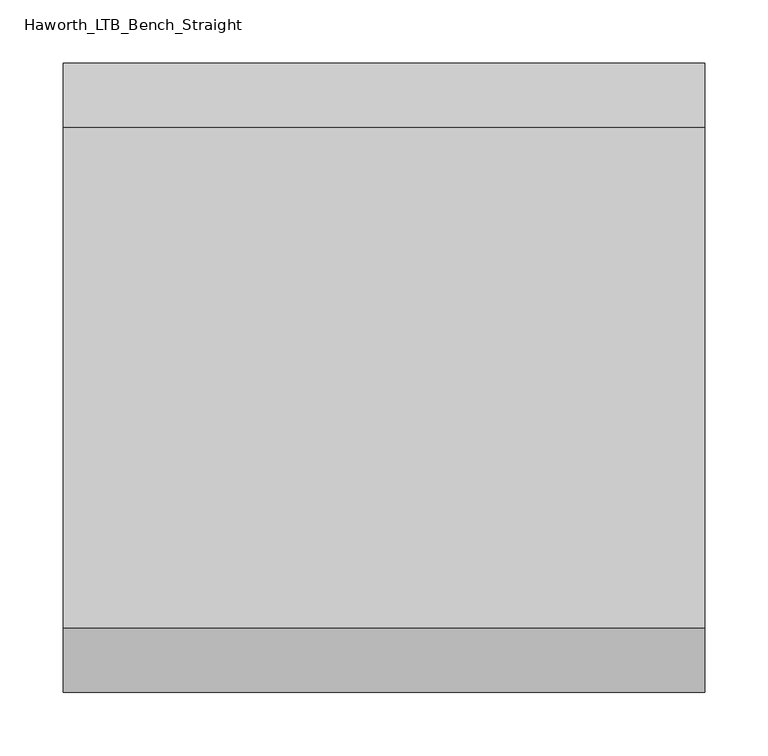
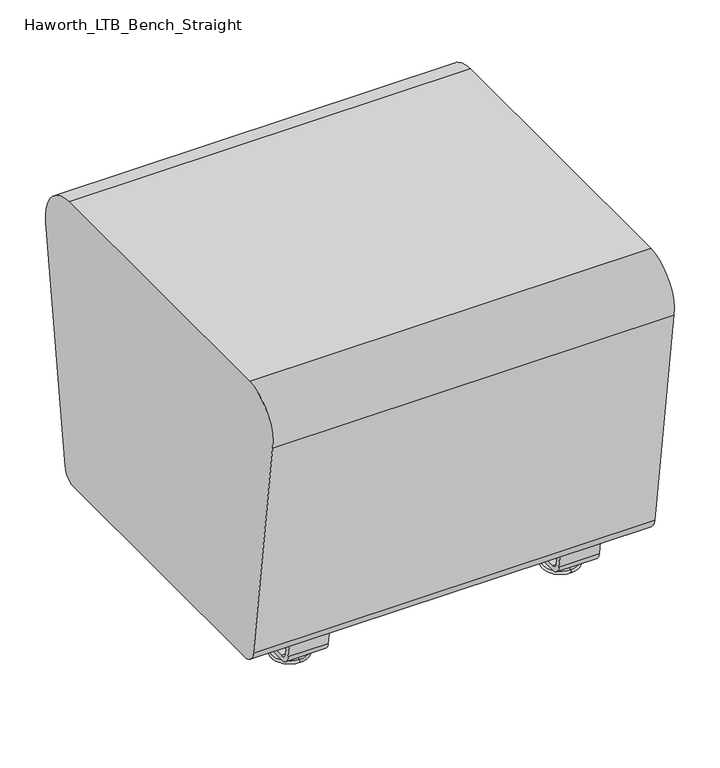
"""IFC4 building model written with IfcOpenShell, lengths in millimetres: furniture geometry, Haworth_LTB_Bench_Straight."""

from ifc_helpers import new_model, si_unit, point, frame, frame_2d, origin, place, context, project, spatial, polyline, circle_curve, ellipse_curve, trimmed, segment, composite_curve, outline, extrude, source, transform, mapped, element, save
from ifc_brep_helpers import plane_surface, cylinder_surface, revolved_surface, advanced_brep


def haworth_ltb_bench_straight_cf22b790(model_context):
    return source(origin(), model_context, "Body", "SolidModel", [
        advanced_brep(
        [(171.5045358, -134.8425052, 7.8133431), (171.5045358, -150.8355515, 7.8133431), (171.5045358, -147.6015284, 7.8133431), (171.5045358, -138.0765284, 7.8133431), (171.5045358, -120.9001513, 4.0775), (171.5045358, -164.7779054, 4.0775), (171.5045358, -121.3107026, 0.0), (171.5045358, -164.3673542, 0.0), (171.5045358, -142.8390284, 0.0), (171.5045358, -138.0765284, 50.0000004), (171.5045358, -147.6015284, 50.0000004), (171.5045358, -142.8390284, 50.0000004)],
        [
            (0, 1, circle_curve(frame((171.5045358, -142.8390284, 7.8133431), z_axis=(0.0, 0.0, 1.0), x_axis=(0.0, -1.0, 0.0)), 7.9965232)),
            (1, 2),
            (2, 3, circle_curve(frame((171.5045358, -142.8390284, 7.8133431), z_axis=(0.0, 0.0, -1.0), x_axis=(0.0, -1.0, 0.0)), 4.7625)),
            (3, 0),
            (1, 0, circle_curve(frame((171.5045358, -142.8390284, 7.8133431), z_axis=(0.0, 0.0, 1.0), x_axis=(0.0, -1.0, 0.0)), 7.9965232)),
            (3, 2, circle_curve(frame((171.5045358, -142.8390284, 7.8133431), z_axis=(0.0, 0.0, -1.0), x_axis=(0.0, -1.0, 0.0)), 4.7625)),
            (4, 5, circle_curve(frame((171.5045358, -142.8390284, 4.0775), z_axis=(0.0, 0.0, 1.0), x_axis=(0.0, -1.0, 0.0)), 21.9388771)),
            (5, 1),
            (0, 4),
            (5, 4, circle_curve(frame((171.5045358, -142.8390284, 4.0775), z_axis=(0.0, 0.0, 1.0), x_axis=(0.0, -1.0, 0.0)), 21.9388771)),
            (6, 7, circle_curve(frame((171.5045358, -142.8390284, 0.0), z_axis=(0.0, 0.0, 1.0), x_axis=(0.0, -1.0, 0.0)), 21.5283258)),
            (7, 5, circle_curve(frame((171.5045358, -164.2405822, 2.0721829), z_axis=(-1.0, 0.0, 0.0), x_axis=(0.0, 1.0, 0.0)), 2.0760571)),
            (4, 6, circle_curve(frame((171.5045358, -121.4374745, 2.0721829), z_axis=(-1.0, 0.0, 0.0), x_axis=(0.0, -1.0, 0.0)), 2.0760571)),
            (7, 6, circle_curve(frame((171.5045358, -142.8390284, 0.0), z_axis=(0.0, 0.0, 1.0), x_axis=(0.0, -1.0, 0.0)), 21.5283258)),
            (8, 7),
            (6, 8),
            (9, 10, circle_curve(frame((171.5045358, -142.8390284, 50.0000004), z_axis=(0.0, 0.0, 1.0), x_axis=(0.0, -1.0, 0.0)), 4.7625)),
            (10, 11),
            (11, 9),
            (10, 9, circle_curve(frame((171.5045358, -142.8390284, 50.0000004), z_axis=(0.0, 0.0, 1.0), x_axis=(0.0, -1.0, 0.0)), 4.7625)),
            (2, 10),
            (9, 3),
        ],
        [
            plane_surface(frame((171.5045358, -142.8390284, 7.8133431), z_axis=(0.0, 0.0, 1.0), x_axis=(0.0, -1.0, 0.0))),
            revolved_surface(polyline([(171.5045358, -150.8355515, 7.8133431), (171.5045358, -164.7779054, 4.0775)]), (171.5045358, -142.8390284, 0.0), (0.0, 0.0, -1.0)),
            revolved_surface(trimmed(ellipse_curve(frame((171.5045358, -164.2405822, 2.0721829), z_axis=(1.0, 0.0, 0.0), x_axis=(0.0, 1.0, 0.0)), 2.0760571, 2.0760571), [point((171.5045358, -164.7779054, 4.0775))], [point((171.5045358, -164.3673542, 0.0))], True, "CARTESIAN"), (171.5045358, -142.8390284, 0.0), (0.0, 0.0, -1.0)),
            plane_surface(frame((171.5045358, -142.8390284, 0.0), z_axis=(0.0, 0.0, -1.0), x_axis=(0.0, -1.0, 0.0))),
            plane_surface(frame((171.5045358, -142.8390284, 50.0000004), z_axis=(0.0, 0.0, 1.0), x_axis=(0.0, -1.0, 0.0))),
            cylinder_surface(frame((171.5045358, -142.8390284, 0.0), z_axis=(0.0, 0.0, -1.0), x_axis=(0.0, -1.0, 0.0)), 4.7625),
        ],
        [
            (0, [[1, 2, 3, 4]]),
            (0, [[5, -4, 6, -2]]),
            (1, [[7, 8, -1, 9]]),
            (1, [[10, -9, -5, -8]]),
            (2, [[11, 12, -7, 13]]),
            (2, [[14, -13, -10, -12]]),
            (3, [[15, -11, 16]]),
            (3, [[-16, -14, -15]]),
            (4, [[17, 18, 19]]),
            (4, [[20, -19, -18]]),
            (5, [[-3, 21, -17, 22]]),
            (5, [[-6, -22, -20, -21]]),
        ],
    ),
        advanced_brep(
        [(171.5045358, 138.0765284, 7.8133431), (171.5045358, 147.6015284, 7.8133431), (171.5045358, 150.8355515, 7.8133431), (171.5045358, 134.8425052, 7.8133431), (171.5045358, 164.7779054, 4.0775), (171.5045358, 120.9001513, 4.0775), (171.5045358, 164.3673542, 0.0), (171.5045358, 121.3107026, 0.0), (171.5045358, 142.8390284, 0.0), (171.5045358, 142.8390284, 50.0000004), (171.5045358, 147.6015284, 50.0000004), (171.5045358, 138.0765284, 50.0000004)],
        [
            (0, 1, circle_curve(frame((171.5045358, 142.8390284, 7.8133431), z_axis=(0.0, 0.0, -1.0), x_axis=(0.0, 1.0, 0.0)), 4.7625)),
            (1, 2),
            (2, 3, circle_curve(frame((171.5045358, 142.8390284, 7.8133431), z_axis=(0.0, 0.0, 1.0), x_axis=(0.0, 1.0, 0.0)), 7.9965232)),
            (3, 0),
            (1, 0, circle_curve(frame((171.5045358, 142.8390284, 7.8133431), z_axis=(0.0, 0.0, -1.0), x_axis=(0.0, 1.0, 0.0)), 4.7625)),
            (3, 2, circle_curve(frame((171.5045358, 142.8390284, 7.8133431), z_axis=(0.0, 0.0, 1.0), x_axis=(0.0, 1.0, 0.0)), 7.9965232)),
            (2, 4),
            (4, 5, circle_curve(frame((171.5045358, 142.8390284, 4.0775), z_axis=(0.0, 0.0, 1.0), x_axis=(0.0, 1.0, 0.0)), 21.9388771)),
            (5, 3),
            (5, 4, circle_curve(frame((171.5045358, 142.8390284, 4.0775), z_axis=(0.0, 0.0, 1.0), x_axis=(0.0, 1.0, 0.0)), 21.9388771)),
            (4, 6, circle_curve(frame((171.5045358, 164.2405822, 2.0721829), z_axis=(-1.0, 0.0, 0.0), x_axis=(0.0, -1.0, 0.0)), 2.0760571)),
            (6, 7, circle_curve(frame((171.5045358, 142.8390284, 0.0), z_axis=(0.0, 0.0, 1.0), x_axis=(0.0, 1.0, 0.0)), 21.5283258)),
            (7, 5, circle_curve(frame((171.5045358, 121.4374745, 2.0721829), z_axis=(-1.0, 0.0, 0.0), x_axis=(0.0, 1.0, 0.0)), 2.0760571)),
            (7, 6, circle_curve(frame((171.5045358, 142.8390284, 0.0), z_axis=(0.0, 0.0, 1.0), x_axis=(0.0, 1.0, 0.0)), 21.5283258)),
            (6, 8),
            (8, 7),
            (9, 10),
            (10, 11, circle_curve(frame((171.5045358, 142.8390284, 50.0000004), z_axis=(0.0, 0.0, 1.0), x_axis=(0.0, 1.0, 0.0)), 4.7625)),
            (11, 9),
            (11, 10, circle_curve(frame((171.5045358, 142.8390284, 50.0000004), z_axis=(0.0, 0.0, 1.0), x_axis=(0.0, 1.0, 0.0)), 4.7625)),
            (10, 1),
            (0, 11),
        ],
        [
            plane_surface(frame((171.5045358, 142.8390284, 7.8133431), z_axis=(0.0, 0.0, 1.0), x_axis=(0.0, 1.0, 0.0))),
            revolved_surface(polyline([(171.5045358, 164.7779054, 4.0775), (171.5045358, 150.8355515, 7.8133431)]), (171.5045358, 142.8390284, 0.0), (0.0, 0.0, 1.0)),
            revolved_surface(trimmed(ellipse_curve(frame((171.5045358, 164.2405822, 2.0721829), z_axis=(1.0, 0.0, 0.0), x_axis=(0.0, -1.0, 0.0)), 2.0760571, 2.0760571), [point((171.5045358, 164.3673542, 0.0))], [point((171.5045358, 164.7779054, 4.0775))], True, "CARTESIAN"), (171.5045358, 142.8390284, 0.0), (0.0, 0.0, 1.0)),
            plane_surface(frame((171.5045358, 142.8390284, 0.0), z_axis=(0.0, 0.0, -1.0), x_axis=(0.0, 1.0, 0.0))),
            plane_surface(frame((171.5045358, 142.8390284, 50.0000004), z_axis=(0.0, 0.0, 1.0), x_axis=(0.0, 1.0, 0.0))),
            cylinder_surface(frame((171.5045358, 142.8390284, 0.0), z_axis=(0.0, 0.0, 1.0), x_axis=(0.0, 1.0, 0.0)), 4.7625),
        ],
        [
            (0, [[1, 2, 3, 4]]),
            (0, [[5, -4, 6, -2]]),
            (1, [[-3, 7, 8, 9]]),
            (1, [[-6, -9, 10, -7]]),
            (2, [[-8, 11, 12, 13]]),
            (2, [[-10, -13, 14, -11]]),
            (3, [[-12, 15, 16]]),
            (3, [[-14, -16, -15]]),
            (4, [[17, 18, 19]]),
            (4, [[-19, 20, -17]]),
            (5, [[-18, 21, -1, 22]]),
            (5, [[-20, -22, -5, -21]]),
        ],
    ),
        extrude(outline(composite_curve([segment(polyline([(188.6158944, 62.9950557), (183.6853496, 27.9124042)]), True, "CONTINUOUS"), segment(trimmed(circle_curve(frame_2d((168.8313276, 30.0000007)), 15.000001), [point((183.6853496, 27.9124042))], [point((168.8313276, 14.9999997))], False, "CARTESIAN"), True, "CONTINUOUS"), segment(polyline([(168.8313276, 14.9999997), (-168.8313276, 14.9999997)]), True, "CONTINUOUS"), segment(trimmed(circle_curve(frame_2d((-168.8313276, 30.0000007)), 15.000001), [point((-168.8313276, 14.9999997))], [point((-183.6853496, 27.9124042))], False, "CARTESIAN"), True, "CONTINUOUS"), segment(polyline([(-183.6853496, 27.9124042), (-188.6158944, 62.9950557), (-182.9812615, 63.7869505), (-178.0507241, 28.7043023)]), True, "CONTINUOUS"), segment(trimmed(circle_curve(frame_2d((-168.8313262, 30.0000023)), 9.310002), [point((-178.0507241, 28.7043023))], [point((-168.8313262, 20.6900003))], True, "CARTESIAN"), True, "CONTINUOUS"), segment(polyline([(-168.8313262, 20.6900003), (168.8313262, 20.6900003)]), True, "CONTINUOUS"), segment(trimmed(circle_curve(frame_2d((168.8313262, 30.0000023)), 9.310002), [point((168.8313262, 20.6900003))], [point((178.0507241, 28.7043023))], True, "CARTESIAN"), True, "CONTINUOUS"), segment(polyline([(178.0507241, 28.7043023), (182.9812615, 63.7869505), (188.6158944, 62.9950557)]), True, "CONTINUOUS")], self_intersect=False)), frame((146.1045358, 0.0, 0.0), z_axis=(1.0, 0.0, 0.0), x_axis=(0.0, 1.0, 0.0)), (0.0, 0.0, 1.0), 50.8),
        advanced_brep(
        [(-171.5045358, -138.0765284, 7.8133431), (-171.5045358, -147.6015284, 7.8133431), (-171.5045358, -150.8355515, 7.8133431), (-171.5045358, -134.8425052, 7.8133431), (-171.5045358, -164.7779054, 4.0775), (-171.5045358, -120.9001513, 4.0775), (-171.5045358, -164.3673542, 0.0), (-171.5045358, -121.3107026, 0.0), (-171.5045358, -142.8390284, 0.0), (-171.5045358, -142.8390284, 50.0000004), (-171.5045358, -147.6015284, 50.0000004), (-171.5045358, -138.0765284, 50.0000004)],
        [
            (0, 1, circle_curve(frame((-171.5045358, -142.8390284, 7.8133431), z_axis=(0.0, 0.0, -1.0), x_axis=(0.0, -1.0, 0.0)), 4.7625)),
            (1, 2),
            (2, 3, circle_curve(frame((-171.5045358, -142.8390284, 7.8133431), z_axis=(0.0, 0.0, 1.0), x_axis=(0.0, -1.0, 0.0)), 7.9965232)),
            (3, 0),
            (1, 0, circle_curve(frame((-171.5045358, -142.8390284, 7.8133431), z_axis=(0.0, 0.0, -1.0), x_axis=(0.0, -1.0, 0.0)), 4.7625)),
            (3, 2, circle_curve(frame((-171.5045358, -142.8390284, 7.8133431), z_axis=(0.0, 0.0, 1.0), x_axis=(0.0, -1.0, 0.0)), 7.9965232)),
            (2, 4),
            (4, 5, circle_curve(frame((-171.5045358, -142.8390284, 4.0775), z_axis=(0.0, 0.0, 1.0), x_axis=(0.0, -1.0, 0.0)), 21.9388771)),
            (5, 3),
            (5, 4, circle_curve(frame((-171.5045358, -142.8390284, 4.0775), z_axis=(0.0, 0.0, 1.0), x_axis=(0.0, -1.0, 0.0)), 21.9388771)),
            (4, 6, circle_curve(frame((-171.5045358, -164.2405822, 2.0721829), z_axis=(1.0, 0.0, 0.0), x_axis=(0.0, 1.0, 0.0)), 2.0760571)),
            (6, 7, circle_curve(frame((-171.5045358, -142.8390284, 0.0), z_axis=(0.0, 0.0, 1.0), x_axis=(0.0, -1.0, 0.0)), 21.5283258)),
            (7, 5, circle_curve(frame((-171.5045358, -121.4374745, 2.0721829), z_axis=(1.0, 0.0, 0.0), x_axis=(0.0, -1.0, 0.0)), 2.0760571)),
            (7, 6, circle_curve(frame((-171.5045358, -142.8390284, 0.0), z_axis=(0.0, 0.0, 1.0), x_axis=(0.0, -1.0, 0.0)), 21.5283258)),
            (6, 8),
            (8, 7),
            (9, 10),
            (10, 11, circle_curve(frame((-171.5045358, -142.8390284, 50.0000004), z_axis=(0.0, 0.0, 1.0), x_axis=(0.0, -1.0, 0.0)), 4.7625)),
            (11, 9),
            (11, 10, circle_curve(frame((-171.5045358, -142.8390284, 50.0000004), z_axis=(0.0, 0.0, 1.0), x_axis=(0.0, -1.0, 0.0)), 4.7625)),
            (10, 1),
            (0, 11),
        ],
        [
            plane_surface(frame((-171.5045358, -142.8390284, 7.8133431), z_axis=(0.0, 0.0, 1.0), x_axis=(0.0, -1.0, 0.0))),
            revolved_surface(polyline([(-171.5045358, -164.7779054, 4.0775), (-171.5045358, -150.8355515, 7.8133431)]), (-171.5045358, -142.8390284, 0.0), (0.0, 0.0, 1.0)),
            revolved_surface(trimmed(ellipse_curve(frame((-171.5045358, -164.2405822, 2.0721829), z_axis=(-1.0, 0.0, 0.0), x_axis=(0.0, 1.0, 0.0)), 2.0760571, 2.0760571), [point((-171.5045358, -164.3673542, 0.0))], [point((-171.5045358, -164.7779054, 4.0775))], True, "CARTESIAN"), (-171.5045358, -142.8390284, 0.0), (0.0, 0.0, 1.0)),
            plane_surface(frame((-171.5045358, -142.8390284, 0.0), z_axis=(0.0, 0.0, -1.0), x_axis=(0.0, -1.0, 0.0))),
            plane_surface(frame((-171.5045358, -142.8390284, 50.0000004), z_axis=(0.0, 0.0, 1.0), x_axis=(0.0, -1.0, 0.0))),
            cylinder_surface(frame((-171.5045358, -142.8390284, 0.0), z_axis=(0.0, 0.0, 1.0), x_axis=(0.0, -1.0, 0.0)), 4.7625),
        ],
        [
            (0, [[1, 2, 3, 4]]),
            (0, [[5, -4, 6, -2]]),
            (1, [[-3, 7, 8, 9]]),
            (1, [[-6, -9, 10, -7]]),
            (2, [[-8, 11, 12, 13]]),
            (2, [[-10, -13, 14, -11]]),
            (3, [[-12, 15, 16]]),
            (3, [[-14, -16, -15]]),
            (4, [[17, 18, 19]]),
            (4, [[-19, 20, -17]]),
            (5, [[-18, 21, -1, 22]]),
            (5, [[-20, -22, -5, -21]]),
        ],
    ),
        advanced_brep(
        [(-171.5045358, 134.8425052, 7.8133431), (-171.5045358, 150.8355515, 7.8133431), (-171.5045358, 147.6015284, 7.8133431), (-171.5045358, 138.0765284, 7.8133431), (-171.5045358, 120.9001513, 4.0775), (-171.5045358, 164.7779054, 4.0775), (-171.5045358, 121.3107026, 0.0), (-171.5045358, 164.3673542, 0.0), (-171.5045358, 142.8390284, 0.0), (-171.5045358, 138.0765284, 50.0000004), (-171.5045358, 147.6015284, 50.0000004), (-171.5045358, 142.8390284, 50.0000004)],
        [
            (0, 1, circle_curve(frame((-171.5045358, 142.8390284, 7.8133431), z_axis=(0.0, 0.0, 1.0), x_axis=(0.0, 1.0, 0.0)), 7.9965232)),
            (1, 2),
            (2, 3, circle_curve(frame((-171.5045358, 142.8390284, 7.8133431), z_axis=(0.0, 0.0, -1.0), x_axis=(0.0, 1.0, 0.0)), 4.7625)),
            (3, 0),
            (1, 0, circle_curve(frame((-171.5045358, 142.8390284, 7.8133431), z_axis=(0.0, 0.0, 1.0), x_axis=(0.0, 1.0, 0.0)), 7.9965232)),
            (3, 2, circle_curve(frame((-171.5045358, 142.8390284, 7.8133431), z_axis=(0.0, 0.0, -1.0), x_axis=(0.0, 1.0, 0.0)), 4.7625)),
            (4, 5, circle_curve(frame((-171.5045358, 142.8390284, 4.0775), z_axis=(0.0, 0.0, 1.0), x_axis=(0.0, 1.0, 0.0)), 21.9388771)),
            (5, 1),
            (0, 4),
            (5, 4, circle_curve(frame((-171.5045358, 142.8390284, 4.0775), z_axis=(0.0, 0.0, 1.0), x_axis=(0.0, 1.0, 0.0)), 21.9388771)),
            (6, 7, circle_curve(frame((-171.5045358, 142.8390284, 0.0), z_axis=(0.0, 0.0, 1.0), x_axis=(0.0, 1.0, 0.0)), 21.5283258)),
            (7, 5, circle_curve(frame((-171.5045358, 164.2405822, 2.0721829), z_axis=(1.0, 0.0, 0.0), x_axis=(0.0, -1.0, 0.0)), 2.0760571)),
            (4, 6, circle_curve(frame((-171.5045358, 121.4374745, 2.0721829), z_axis=(1.0, 0.0, 0.0), x_axis=(0.0, 1.0, 0.0)), 2.0760571)),
            (7, 6, circle_curve(frame((-171.5045358, 142.8390284, 0.0), z_axis=(0.0, 0.0, 1.0), x_axis=(0.0, 1.0, 0.0)), 21.5283258)),
            (8, 7),
            (6, 8),
            (9, 10, circle_curve(frame((-171.5045358, 142.8390284, 50.0000004), z_axis=(0.0, 0.0, 1.0), x_axis=(0.0, 1.0, 0.0)), 4.7625)),
            (10, 11),
            (11, 9),
            (10, 9, circle_curve(frame((-171.5045358, 142.8390284, 50.0000004), z_axis=(0.0, 0.0, 1.0), x_axis=(0.0, 1.0, 0.0)), 4.7625)),
            (2, 10),
            (9, 3),
        ],
        [
            plane_surface(frame((-171.5045358, 142.8390284, 7.8133431), z_axis=(0.0, 0.0, 1.0), x_axis=(0.0, 1.0, 0.0))),
            revolved_surface(polyline([(-171.5045358, 150.8355515, 7.8133431), (-171.5045358, 164.7779054, 4.0775)]), (-171.5045358, 142.8390284, 0.0), (0.0, 0.0, -1.0)),
            revolved_surface(trimmed(ellipse_curve(frame((-171.5045358, 164.2405822, 2.0721829), z_axis=(-1.0, 0.0, 0.0), x_axis=(0.0, -1.0, 0.0)), 2.0760571, 2.0760571), [point((-171.5045358, 164.7779054, 4.0775))], [point((-171.5045358, 164.3673542, 0.0))], True, "CARTESIAN"), (-171.5045358, 142.8390284, 0.0), (0.0, 0.0, -1.0)),
            plane_surface(frame((-171.5045358, 142.8390284, 0.0), z_axis=(0.0, 0.0, -1.0), x_axis=(0.0, 1.0, 0.0))),
            plane_surface(frame((-171.5045358, 142.8390284, 50.0000004), z_axis=(0.0, 0.0, 1.0), x_axis=(0.0, 1.0, 0.0))),
            cylinder_surface(frame((-171.5045358, 142.8390284, 0.0), z_axis=(0.0, 0.0, -1.0), x_axis=(0.0, 1.0, 0.0)), 4.7625),
        ],
        [
            (0, [[1, 2, 3, 4]]),
            (0, [[5, -4, 6, -2]]),
            (1, [[7, 8, -1, 9]]),
            (1, [[10, -9, -5, -8]]),
            (2, [[11, 12, -7, 13]]),
            (2, [[14, -13, -10, -12]]),
            (3, [[15, -11, 16]]),
            (3, [[-16, -14, -15]]),
            (4, [[17, 18, 19]]),
            (4, [[20, -19, -18]]),
            (5, [[-3, 21, -17, 22]]),
            (5, [[-6, -22, -20, -21]]),
        ],
    ),
        extrude(outline(composite_curve([segment(polyline([(188.6158944, 62.9950557), (183.6853496, 27.9124042)]), True, "CONTINUOUS"), segment(trimmed(circle_curve(frame_2d((168.8313276, 30.0000007)), 15.000001), [point((183.6853496, 27.9124042))], [point((168.8313276, 14.9999997))], False, "CARTESIAN"), True, "CONTINUOUS"), segment(polyline([(168.8313276, 14.9999997), (-168.8313276, 14.9999997)]), True, "CONTINUOUS"), segment(trimmed(circle_curve(frame_2d((-168.8313276, 30.0000007)), 15.000001), [point((-168.8313276, 14.9999997))], [point((-183.6853496, 27.9124042))], False, "CARTESIAN"), True, "CONTINUOUS"), segment(polyline([(-183.6853496, 27.9124042), (-188.6158944, 62.9950557), (-182.9812615, 63.7869505), (-178.0507241, 28.7043023)]), True, "CONTINUOUS"), segment(trimmed(circle_curve(frame_2d((-168.8313262, 30.0000023)), 9.310002), [point((-178.0507241, 28.7043023))], [point((-168.8313262, 20.6900003))], True, "CARTESIAN"), True, "CONTINUOUS"), segment(polyline([(-168.8313262, 20.6900003), (168.8313262, 20.6900003)]), True, "CONTINUOUS"), segment(trimmed(circle_curve(frame_2d((168.8313262, 30.0000023)), 9.310002), [point((168.8313262, 20.6900003))], [point((178.0507241, 28.7043023))], True, "CARTESIAN"), True, "CONTINUOUS"), segment(polyline([(178.0507241, 28.7043023), (182.9812615, 63.7869505), (188.6158944, 62.9950557)]), True, "CONTINUOUS")], self_intersect=False)), frame((-196.9045358, 0.0, 0.0), z_axis=(1.0, 0.0, 0.0), x_axis=(0.0, 1.0, 0.0)), (0.0, 0.0, 1.0), 50.8),
        extrude(outline(composite_curve([segment(trimmed(circle_curve(frame_2d((187.8390314, 68.9999996)), 18.9999992), [point((206.6541239, 66.3557108))], [point((187.8390314, 50.0000004))], False, "CARTESIAN"), True, "CONTINUOUS"), segment(polyline([(187.8390314, 50.0000004), (-187.8390314, 50.0000004)]), True, "CONTINUOUS"), segment(trimmed(circle_curve(frame_2d((-187.8390314, 68.9999996)), 18.9999992), [point((-187.8390314, 50.0000004))], [point((-206.6541239, 66.3557108))], False, "CARTESIAN"), True, "CONTINUOUS"), segment(polyline([(-206.6541239, 66.3557108), (-248.8457699, 366.5648734)]), True, "CONTINUOUS"), segment(trimmed(circle_curve(frame_2d((-198.0488862, 373.7039098)), 51.2960937), [point((-248.8457699, 366.5648734))], [point((-198.0488862, 425.0000035))], False, "CARTESIAN"), True, "CONTINUOUS"), segment(polyline([(-198.0488862, 425.0000035), (198.0488862, 425.0000035)]), True, "CONTINUOUS"), segment(trimmed(circle_curve(frame_2d((198.0488862, 373.7039098)), 51.2960937), [point((198.0488862, 425.0000035))], [point((248.8457699, 366.5648734))], False, "CARTESIAN"), True, "CONTINUOUS"), segment(polyline([(248.8457699, 366.5648734), (206.6541239, 66.3557108)]), True, "CONTINUOUS")], self_intersect=False)), frame((-254.0, 0.0, 0.0), z_axis=(1.0, 0.0, 0.0), x_axis=(0.0, 1.0, 0.0)), (0.0, 0.0, 1.0), 508.0),
    ])


if __name__ == "__main__":
    model = new_model("IFC4")
    model_context = context("Model", 3, world=origin())
    ifc_project = project(units=[si_unit("LENGTHUNIT", "METRE", prefix="MILLI")], contexts=[model_context])
    site = spatial("IfcSite", under=ifc_project)
    building = spatial("IfcBuilding", under=site)
    placement = place(None, origin())
    haworth_ltb_bench_straight_shape = haworth_ltb_bench_straight_cf22b790(model_context)
    element("IfcFurniture", 1, ObjectType="Haworth_LTB_Bench_Straight", at=placement, inside=building, context=model_context, shape_type="MappedRepresentation", body=[
        mapped(haworth_ltb_bench_straight_shape, transform((0.0, 0.0, 0.0), x_axis=(1.0, 0.0, 0.0), y_axis=(0.0, 1.0, 0.0), z_axis=(0.0, 0.0, 1.0))),
    ])
    save(model, "model.ifc")
